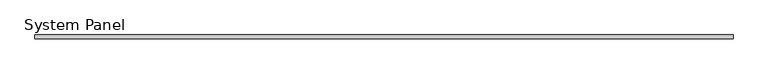
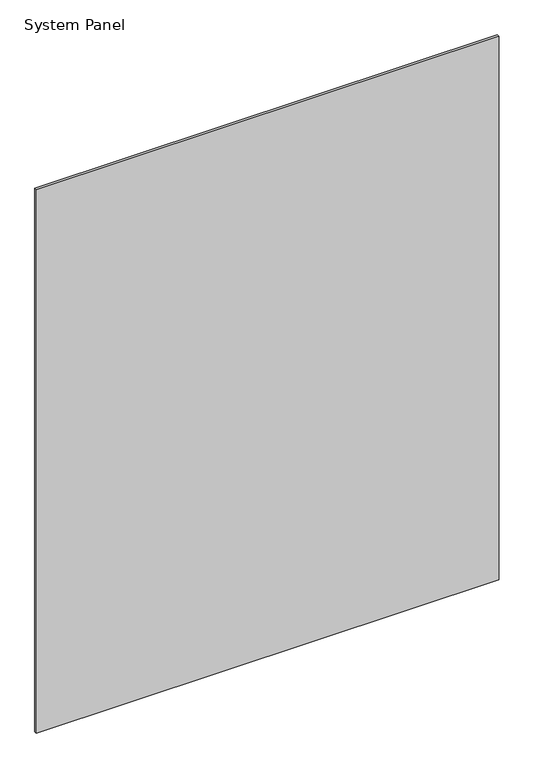
"""IFC4 building model written with IfcOpenShell, lengths in millimetres: plate geometry, System Panel."""

from ifc_helpers import new_model, si_unit, origin, origin_with_axes, place, context, project, spatial, polyline, outline, extrude, source, transform, mapped, element, save


def system_panel_a96fdff9(model_context):
    return source(origin(), model_context, "Body", "SweptSolid", [
        extrude(outline(polyline([(587.3876052, 18.0), (-587.3876052, 18.0), (-587.3876052, 24.6), (587.3876052, 24.6), (587.3876052, 18.0)])), origin_with_axes(), (0.0, 0.0, 1.0), 1457.3502103),
    ])


if __name__ == "__main__":
    model = new_model("IFC4")
    model_context = context("Model", 3, world=origin())
    ifc_project = project(units=[si_unit("LENGTHUNIT", "METRE", prefix="MILLI")], contexts=[model_context])
    site = spatial("IfcSite", under=ifc_project)
    building = spatial("IfcBuilding", under=site)
    placement = place(None, origin())
    system_panel_shape = system_panel_a96fdff9(model_context)
    element("IfcPlate", 1, ObjectType="System Panel", at=placement, inside=building, context=model_context, shape_type="MappedRepresentation", body=[
        mapped(system_panel_shape, transform((0.0, 0.0, 0.0), x_axis=(1.0, 0.0, 0.0), y_axis=(0.0, 1.0, 0.0), z_axis=(0.0, 0.0, 1.0))),
    ])
    save(model, "model.ifc")
